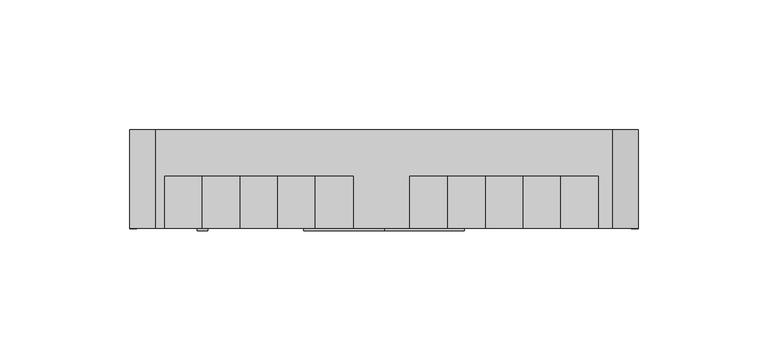
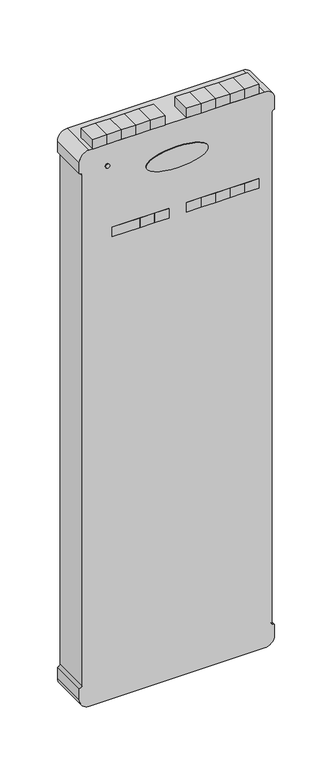
"""IFC4 building model written with IfcOpenShell, lengths in millimetres: proxy geometry."""

from ifc_helpers import new_model, si_unit, point, frame, frame_2d, origin, place, context, project, spatial, polyline, circle_curve, ellipse_curve, trimmed, segment, composite_curve, outline, extrude, source, transform, mapped, element, save
from ifc_brep_helpers import plane_surface, extruded_surface, advanced_brep


def communication_devices_7b676b30(model_context):
    return source(origin(), model_context, "Body", "SolidModel", [
        advanced_brep(
        [(0.0, -39.0, 1063.2717697), (0.0, -39.0, 1041.2717697), (0.0, -38.0, 1063.2717697), (0.0, -38.0, 1041.2717697)],
        [
            (0, 1, ellipse_curve(frame((0.0, -39.0, 1052.2717697), z_axis=(0.0, -1.0, 0.0), x_axis=(1.0, 0.0, 0.0)), 31.0078253, 11.0)),
            (1, 0, ellipse_curve(frame((0.0, -39.0, 1052.2717697), z_axis=(0.0, -1.0, 0.0), x_axis=(1.0, 0.0, 0.0)), 31.0078253, 11.0)),
            (2, 3, ellipse_curve(frame((0.0, -38.0, 1052.2717697), z_axis=(0.0, 1.0, 0.0), x_axis=(0.0, 0.0, -1.0)), 11.0, 31.0078253)),
            (3, 2, ellipse_curve(frame((0.0, -38.0, 1052.2717697), z_axis=(0.0, 1.0, 0.0), x_axis=(0.0, 0.0, -1.0)), 11.0, 31.0078253)),
            (0, 2),
            (3, 1),
        ],
        [
            plane_surface(frame((0.0, -39.0, 1041.2717697), z_axis=(0.0, -1.0, 0.0), x_axis=(1.0, 0.0, 0.0))),
            plane_surface(frame((0.0, -38.0, 1041.2717697), z_axis=(0.0, 1.0, 0.0), x_axis=(-1.0, 0.0, 0.0))),
            extruded_surface(trimmed(ellipse_curve(frame((0.0, -37.0, 1052.2717697), z_axis=(0.0, -1.0, 0.0), x_axis=(0.0, 0.0, -1.0)), 11.0, 31.0078253), [point((0.0, -37.0, 1063.2717697))], [point((0.0, -37.0, 1041.2717697))], True, "CARTESIAN"), (0.0, -1.0, 0.0), 1.0),
            extruded_surface(trimmed(ellipse_curve(frame((0.0, -37.0, 1052.2717697), z_axis=(0.0, -1.0, 0.0), x_axis=(0.0, 0.0, -1.0)), 11.0, 31.0078253), [point((0.0, -37.0, 1041.2717697))], [point((0.0, -37.0, 1063.2717697))], True, "CARTESIAN"), (0.0, -1.0, 0.0), 1.0),
        ],
        [
            (0, [[1, 2]]),
            (1, [[3, 4]]),
            (2, [[-1, 5, -4, 6]]),
            (3, [[-2, -6, -3, -5]]),
        ],
    ),
        extrude(outline(composite_curve([segment(trimmed(circle_curve(frame_2d((1067.0851504, -69.9551051)), 2.0488655), [point((1067.0851504, -72.0039706))], [point((1067.0851504, -67.9062396))], False, "CARTESIAN"), True, "CONTINUOUS"), segment(trimmed(circle_curve(frame_2d((1067.0851504, -69.9551051)), 2.0488655), [point((1067.0851504, -67.9062396))], [point((1067.0851504, -72.0039706))], False, "CARTESIAN"), True, "CONTINUOUS")], self_intersect=False)), frame((0.0, -39.0, 0.0), z_axis=(0.0, 1.0, 0.0), x_axis=(0.0, 0.0, 1.0)), (0.0, 0.0, 1.0), 1.0),
        extrude(outline(polyline([(-8.1534958, -38.0), (-22.6847458, -38.0), (-22.6847458, -18.0), (-8.1534958, -18.0), (-8.1534958, -38.0)])), frame((0.0, 0.0, 990.0), z_axis=(0.0, 0.0, 1.0), x_axis=(1.0, 0.0, 0.0)), (0.0, 0.0, 1.0), 10.0),
        extrude(outline(polyline([(-22.6847458, -38.0), (-37.2159958, -38.0), (-37.2159958, -18.0), (-22.6847458, -18.0), (-22.6847458, -38.0)])), frame((0.0, 0.0, 990.0), z_axis=(0.0, 0.0, 1.0), x_axis=(1.0, 0.0, 0.0)), (0.0, 0.0, 1.0), 10.0),
        extrude(outline(polyline([(-37.2159958, -38.0), (-65.0, -38.0), (-65.0, -18.0), (-37.2159958, -18.0), (-37.2159958, -38.0)])), frame((0.0, 0.0, 990.0), z_axis=(0.0, 0.0, 1.0), x_axis=(1.0, 0.0, 0.0)), (0.0, 0.0, 1.0), 10.0),
        extrude(outline(polyline([(24.4034958, -38.0), (9.8722458, -38.0), (9.8722458, -18.0), (24.4034958, -18.0), (24.4034958, -38.0)])), frame((0.0, 0.0, 990.0), z_axis=(0.0, 0.0, 1.0), x_axis=(1.0, 0.0, 0.0)), (0.0, 0.0, 1.0), 10.0),
        extrude(outline(polyline([(38.9347458, -38.0), (24.4034958, -38.0), (24.4034958, -18.0), (38.9347458, -18.0), (38.9347458, -38.0)])), frame((0.0, 0.0, 990.0), z_axis=(0.0, 0.0, 1.0), x_axis=(1.0, 0.0, 0.0)), (0.0, 0.0, 1.0), 10.0),
        extrude(outline(polyline([(53.4659958, -38.0), (38.9347458, -38.0), (38.9347458, -18.0), (53.4659958, -18.0), (53.4659958, -38.0)])), frame((0.0, 0.0, 990.0), z_axis=(0.0, 0.0, 1.0), x_axis=(1.0, 0.0, 0.0)), (0.0, 0.0, 1.0), 10.0),
        extrude(outline(polyline([(67.9972458, -38.0), (53.4659958, -38.0), (53.4659958, -18.0), (67.9972458, -18.0), (67.9972458, -38.0)])), frame((0.0, 0.0, 990.0), z_axis=(0.0, 0.0, 1.0), x_axis=(1.0, 0.0, 0.0)), (0.0, 0.0, 1.0), 10.0),
        extrude(outline(polyline([(82.5284958, -38.0), (67.9972458, -38.0), (67.9972458, -18.0), (82.5284958, -18.0), (82.5284958, -38.0)])), frame((0.0, 0.0, 990.0), z_axis=(0.0, 0.0, 1.0), x_axis=(1.0, 0.0, 0.0)), (0.0, 0.0, 1.0), 10.0),
        extrude(outline(polyline([(24.4034958, -38.0), (9.8722458, -38.0), (9.8722458, -18.0), (24.4034958, -18.0), (24.4034958, -38.0)])), frame((0.0, 0.0, 1090.0), z_axis=(0.0, 0.0, 1.0), x_axis=(1.0, 0.0, 0.0)), (0.0, 0.0, 1.0), 10.0),
        extrude(outline(polyline([(38.9347458, -38.0), (24.4034958, -38.0), (24.4034958, -18.0), (38.9347458, -18.0), (38.9347458, -38.0)])), frame((0.0, 0.0, 1090.0), z_axis=(0.0, 0.0, 1.0), x_axis=(1.0, 0.0, 0.0)), (0.0, 0.0, 1.0), 10.0),
        extrude(outline(polyline([(53.4659958, -38.0), (38.9347458, -38.0), (38.9347458, -18.0), (53.4659958, -18.0), (53.4659958, -38.0)])), frame((0.0, 0.0, 1090.0), z_axis=(0.0, 0.0, 1.0), x_axis=(1.0, 0.0, 0.0)), (0.0, 0.0, 1.0), 10.0),
        extrude(outline(polyline([(67.9972458, -38.0), (53.4659958, -38.0), (53.4659958, -18.0), (67.9972458, -18.0), (67.9972458, -38.0)])), frame((0.0, 0.0, 1090.0), z_axis=(0.0, 0.0, 1.0), x_axis=(1.0, 0.0, 0.0)), (0.0, 0.0, 1.0), 10.0),
        extrude(outline(polyline([(82.5284958, -38.0), (67.9972458, -38.0), (67.9972458, -18.0), (82.5284958, -18.0), (82.5284958, -38.0)])), frame((0.0, 0.0, 1090.0), z_axis=(0.0, 0.0, 1.0), x_axis=(1.0, 0.0, 0.0)), (0.0, 0.0, 1.0), 10.0),
        extrude(outline(polyline([(-11.9034958, -38.0), (-26.4347458, -38.0), (-26.4347458, -18.0), (-11.9034958, -18.0), (-11.9034958, -38.0)])), frame((0.0, 0.0, 1090.0), z_axis=(0.0, 0.0, 1.0), x_axis=(1.0, 0.0, 0.0)), (0.0, 0.0, 1.0), 10.0),
        extrude(outline(polyline([(-26.4347458, -38.0), (-40.9659958, -38.0), (-40.9659958, -18.0), (-26.4347458, -18.0), (-26.4347458, -38.0)])), frame((0.0, 0.0, 1090.0), z_axis=(0.0, 0.0, 1.0), x_axis=(1.0, 0.0, 0.0)), (0.0, 0.0, 1.0), 10.0),
        extrude(outline(polyline([(-40.9659958, -38.0), (-55.4972458, -38.0), (-55.4972458, -18.0), (-40.9659958, -18.0), (-40.9659958, -38.0)])), frame((0.0, 0.0, 1090.0), z_axis=(0.0, 0.0, 1.0), x_axis=(1.0, 0.0, 0.0)), (0.0, 0.0, 1.0), 10.0),
        extrude(outline(polyline([(-55.4972458, -38.0), (-70.0284958, -38.0), (-70.0284958, -18.0), (-55.4972458, -18.0), (-55.4972458, -38.0)])), frame((0.0, 0.0, 1090.0), z_axis=(0.0, 0.0, 1.0), x_axis=(1.0, 0.0, 0.0)), (0.0, 0.0, 1.0), 10.0),
        extrude(outline(polyline([(-70.0284958, -38.0), (-84.5597458, -38.0), (-84.5597458, -18.0), (-70.0284958, -18.0), (-70.0284958, -38.0)])), frame((0.0, 0.0, 1090.0), z_axis=(0.0, 0.0, 1.0), x_axis=(1.0, 0.0, 0.0)), (0.0, 0.0, 1.0), 10.0),
        extrude(outline(composite_curve([segment(polyline([(1090.0, 88.0), (1090.0, -88.0)]), True, "CONTINUOUS"), segment(trimmed(circle_curve(frame_2d((1080.0, -88.0)), 10.0), [point((1090.0, -88.0))], [point((1080.0, -98.0))], False, "CARTESIAN"), True, "CONTINUOUS"), segment(polyline([(1080.0, -98.0), (1068.325572, -98.0)]), True, "CONTINUOUS"), segment(trimmed(circle_curve(frame_2d((1065.6591085, -98.0)), 2.6664635), [point((1068.325572, -98.0))], [point((1065.6591085, -95.3335365))], True, "CARTESIAN"), True, "CONTINUOUS"), segment(polyline([(1065.6591085, -95.3335365), (524.3408915, -95.3335365)]), True, "CONTINUOUS"), segment(trimmed(circle_curve(frame_2d((524.3408915, -98.0)), 2.6664635), [point((524.3408915, -95.3335365))], [point((521.674428, -98.0))], True, "CARTESIAN"), True, "CONTINUOUS"), segment(polyline([(521.674428, -98.0), (510.0, -98.0)]), True, "CONTINUOUS"), segment(trimmed(circle_curve(frame_2d((510.0, -88.0)), 10.0), [point((510.0, -98.0))], [point((500.0, -88.0))], False, "CARTESIAN"), True, "CONTINUOUS"), segment(polyline([(500.0, -88.0), (500.0, 88.0)]), True, "CONTINUOUS"), segment(trimmed(circle_curve(frame_2d((510.0, 88.0)), 10.0), [point((500.0, 88.0))], [point((510.0, 98.0))], False, "CARTESIAN"), True, "CONTINUOUS"), segment(polyline([(510.0, 98.0), (521.674428, 98.0)]), True, "CONTINUOUS"), segment(trimmed(circle_curve(frame_2d((524.3408915, 98.0)), 2.6664635), [point((521.674428, 98.0))], [point((524.3408915, 95.3335365))], True, "CARTESIAN"), True, "CONTINUOUS"), segment(polyline([(524.3408915, 95.3335365), (1065.6591085, 95.3335365)]), True, "CONTINUOUS"), segment(trimmed(circle_curve(frame_2d((1065.6591085, 98.0)), 2.6664635), [point((1065.6591085, 95.3335365))], [point((1068.325572, 98.0))], True, "CARTESIAN"), True, "CONTINUOUS"), segment(polyline([(1068.325572, 98.0), (1080.0, 98.0)]), True, "CONTINUOUS"), segment(trimmed(circle_curve(frame_2d((1080.0, 88.0)), 10.0), [point((1080.0, 98.0))], [point((1090.0, 88.0))], False, "CARTESIAN"), True, "CONTINUOUS")], self_intersect=False)), frame((0.0, -38.0, 0.0), z_axis=(0.0, 1.0, 0.0), x_axis=(0.0, 0.0, 1.0)), (0.0, 0.0, 1.0), 38.0),
    ])


if __name__ == "__main__":
    model = new_model("IFC4")
    model_context = context("Model", 3, world=origin())
    ifc_project = project(units=[si_unit("LENGTHUNIT", "METRE", prefix="MILLI")], contexts=[model_context])
    site = spatial("IfcSite", under=ifc_project)
    building = spatial("IfcBuilding", under=site)
    placement = place(None, origin())
    communication_devices_shape = communication_devices_7b676b30(model_context)
    element("IfcBuildingElementProxy", 1, Name="Communication Devices", at=placement, inside=building, context=model_context, shape_type="MappedRepresentation", body=[
        mapped(communication_devices_shape, transform((0.0, 0.0, 0.0), x_axis=(1.0, 0.0, 0.0), y_axis=(0.0, 1.0, 0.0), z_axis=(0.0, 0.0, 1.0))),
    ])
    save(model, "model.ifc")
